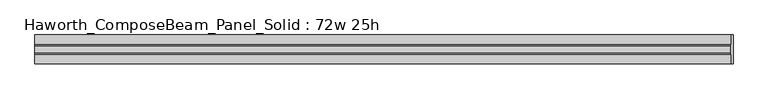
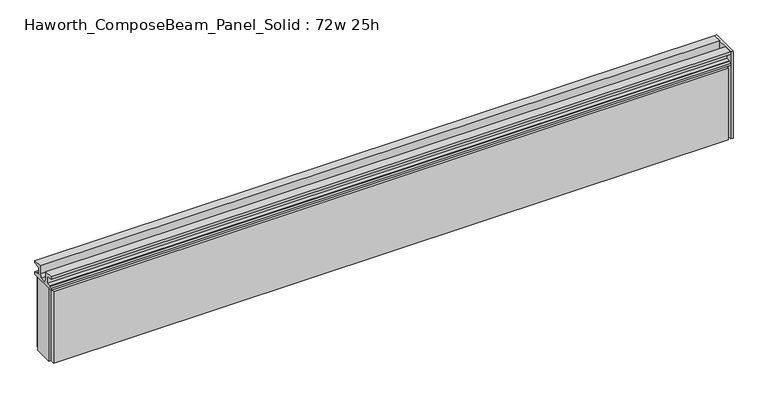
"""IFC4 building model written with IfcOpenShell, lengths in millimetres: furniture geometry, Haworth_ComposeBeam_Panel_Solid : 72w 25h."""

import ifcopenshell
import ifcopenshell.guid

model = None  # the IFC model being written
_history = None  # IfcOwnerHistory: only IFC2X3 demands one
_inside = {}  # id of a spatial element -> (the spatial element, [elements in it])
_under = {}  # id of a project, library or spatial element -> (it, [spatial elements below it])
_declared = {}  # id of a project -> (the project, [libraries it declares])
_typed = {}  # id of a type object -> (the type object, [elements of that type])
_made_of = {}  # id of a material, layer set ... -> (it, [elements and type objects made of it])


def new_model(schema):
    """Start an empty IFC model of exactly this schema.

    Asked for "IFC4X3", IfcOpenShell would pick the latest addendum, in which some entities
    have other attributes; the version numbers below select the first issue.
    IFC2X3 requires an IfcOwnerHistory on every rooted entity: one is made here for all.
    """
    global model, _history
    if schema == "IFC4X3":
        model = ifcopenshell.file(schema_version=(4, 3, 0, 0))
    else:
        model = ifcopenshell.file(schema=schema)
    _inside.clear()
    _under.clear()
    _declared.clear()
    _typed.clear()
    _made_of.clear()
    _history = None
    if model.schema == "IFC2X3":
        org = make("IfcOrganization", Name="unknown")
        user = make(
            "IfcPersonAndOrganization",
            ThePerson=make("IfcPerson", FamilyName="unknown"),
            TheOrganization=org,
        )
        app = make(
            "IfcApplication",
            ApplicationDeveloper=org,
            Version="unknown",
            ApplicationFullName="unknown",
            ApplicationIdentifier="unknown",
        )
        _history = make(
            "IfcOwnerHistory",
            OwningUser=user,
            OwningApplication=app,
            ChangeAction="ADDED",
            CreationDate=0,
        )
    return model


def make(cls, **values):
    """One entity of the class cls with the attributes given. An attribute that is None is left unset."""
    return model.create_entity(
        cls, **{name: value for name, value in values.items() if value is not None}
    )


def rooted(cls, **values):
    """An entity with a GlobalId (a new one), such as an element, a storey or a relation."""
    return make(cls, GlobalId=ifcopenshell.guid.new(), OwnerHistory=_history, **values)


def si_unit(unit_type, name, prefix=None):
    """IfcSIUnit, for example si_unit("LENGTHUNIT", "METRE", prefix="MILLI")."""
    return make("IfcSIUnit", UnitType=unit_type, Prefix=prefix, Name=name)


def assignment(units):
    """IfcUnitAssignment: the units of a project."""
    return None if units is None else make("IfcUnitAssignment", Units=units)


def point(xyz):
    """IfcCartesianPoint."""
    return None if xyz is None else make("IfcCartesianPoint", Coordinates=xyz)


def direction(xyz):
    """IfcDirection."""
    return None if xyz is None else make("IfcDirection", DirectionRatios=xyz)


def frame(location, z_axis=None, x_axis=None):
    """IfcAxis2Placement3D, a coordinate frame: its origin and axes. An axis left out is left unset."""
    return make(
        "IfcAxis2Placement3D",
        Location=point(location),
        Axis=direction(z_axis),
        RefDirection=direction(x_axis),
    )


def origin():
    """The frame at (0, 0, 0) with its axes left unset."""
    return frame((0.0, 0.0, 0.0))


def place(relative_to, where):
    """IfcLocalPlacement: puts the frame where relative to a parent placement (None: the world)."""
    return make(
        "IfcLocalPlacement", PlacementRelTo=relative_to, RelativePlacement=where
    )


def context(
    kind, dimensions, precision=None, world=None, true_north=None, identifier=None
):
    """IfcGeometricRepresentationContext, for example the 3D "Model" context."""
    return make(
        "IfcGeometricRepresentationContext",
        ContextIdentifier=identifier,
        ContextType=kind,
        CoordinateSpaceDimension=dimensions,
        Precision=precision,
        WorldCoordinateSystem=world,
        TrueNorth=true_north,
    )


def project(units=None, contexts=None):
    """IfcProject with its units and contexts."""
    return rooted(
        "IfcProject",
        Name="project",
        RepresentationContexts=contexts,
        UnitsInContext=assignment(units),
    )


def spatial(cls, under=None, at=None, **own):
    """A site, building, storey or space (cls), placed at a placement, below another one or the project."""
    s = rooted(cls, ObjectPlacement=at, **own)
    if under is not None:
        _under.setdefault(under.id(), (under, []))[1].append(s)
    return s


def polyline(points):
    """IfcPolyline through the points."""
    return make("IfcPolyline", Points=[point(p) for p in points])


def outline(outer, holes=None, kind="AREA"):
    """IfcArbitraryClosedProfileDef: a profile drawn as a closed curve; with holes, ...WithVoids."""
    if holes is None:
        return make("IfcArbitraryClosedProfileDef", ProfileType=kind, OuterCurve=outer)
    return make(
        "IfcArbitraryProfileDefWithVoids",
        ProfileType=kind,
        OuterCurve=outer,
        InnerCurves=holes,
    )


def extrude(swept, where, along, depth):
    """IfcExtrudedAreaSolid: the profile swept, set in the frame where, extruded along a direction by depth."""
    return make(
        "IfcExtrudedAreaSolid",
        SweptArea=swept,
        Position=where,
        ExtrudedDirection=direction(along),
        Depth=depth,
    )


def shape(context_of_items, identifier, shape_type, items):
    """IfcShapeRepresentation: the items that make up one representation, for example the "Body"."""
    return make(
        "IfcShapeRepresentation",
        ContextOfItems=context_of_items,
        RepresentationIdentifier=identifier,
        RepresentationType=shape_type,
        Items=items,
    )


def source(mapping_origin, context_of_items, identifier, shape_type, items):
    """IfcRepresentationMap: a shape defined once, which mapped items show again and again."""
    return make(
        "IfcRepresentationMap",
        MappingOrigin=mapping_origin,
        MappedRepresentation=shape(context_of_items, identifier, shape_type, items),
    )


def transform(
    local_origin,
    x_axis=None,
    y_axis=None,
    z_axis=None,
    scale=None,
    scale2=None,
    scale3=None,
    uniform=True,
):
    """IfcCartesianTransformationOperator3D, or its non-uniform kind. x_axis, y_axis, z_axis: its Axis1, 2, 3."""
    if uniform:
        return make(
            "IfcCartesianTransformationOperator3D",
            Axis1=direction(x_axis),
            Axis2=direction(y_axis),
            LocalOrigin=point(local_origin),
            Scale=scale,
            Axis3=direction(z_axis),
        )
    return make(
        "IfcCartesianTransformationOperator3DnonUniform",
        Axis1=direction(x_axis),
        Axis2=direction(y_axis),
        LocalOrigin=point(local_origin),
        Scale=scale,
        Axis3=direction(z_axis),
        Scale2=scale2,
        Scale3=scale3,
    )


def mapped(mapping_source, mapping_target):
    """IfcMappedItem: shows the shape of a source again, moved by a transform."""
    return make(
        "IfcMappedItem", MappingSource=mapping_source, MappingTarget=mapping_target
    )


def made_of(thing, what):
    """Note that an element or type object is made of a material, layer set ...; save() writes the relation."""
    if what is not None:
        _made_of.setdefault(what.id(), (what, []))[1].append(thing)
    return thing


def element(
    cls,
    number,
    at=None,
    inside=None,
    cuts=None,
    type_object=None,
    material=None,
    context=None,
    identifier="Body",
    shape_type=None,
    held_by="IfcProductDefinitionShape",
    body=None,
    shapes=None,
    **own,
):
    """One element of the class cls, such as IfcWall. Its Tag is "e" and its number.

    at: its placement. inside: the storey or other place that contains it. cuts: it is an
    opening in that element (IfcRelVoidsElement). A single representation is given by context,
    identifier, shape_type and body (its items); several are given by shapes. held_by: the class
    of the entity that holds the representations. save() writes the other relations.
    """
    e = rooted(cls, Tag="e%d" % number, ObjectPlacement=at, **own)
    if body is not None:
        shapes = [shape(context, identifier, shape_type, body)]
    if shapes is not None:
        e.Representation = make(held_by, Representations=shapes)
    if inside is not None:
        _inside.setdefault(inside.id(), (inside, []))[1].append(e)
    if cuts is not None:
        rooted(
            "IfcRelVoidsElement", RelatingBuildingElement=cuts, RelatedOpeningElement=e
        )
    if type_object is not None:
        _typed.setdefault(type_object.id(), (type_object, []))[1].append(e)
    return made_of(e, material)


def aggregate(whole, parts):
    """IfcRelAggregates: a whole, such as a stair, and the parts it consists of."""
    return rooted("IfcRelAggregates", RelatingObject=whole, RelatedObjects=parts)


def save(model, path):
    """Write the relations noted so far, then the file.

    IfcRelAggregates (storeys below a building ...), IfcRelContainedInSpatialStructure (elements
    in a storey), IfcRelDefinesByType, IfcRelAssociatesMaterial and IfcRelDeclares: one each for
    every whole, place, type object, material and project.
    """
    for whole, parts in _under.values():
        aggregate(whole, parts)
    for where, things in _inside.values():
        rooted(
            "IfcRelContainedInSpatialStructure",
            RelatedElements=things,
            RelatingStructure=where,
        )
    for kind, things in _typed.values():
        rooted("IfcRelDefinesByType", RelatedObjects=things, RelatingType=kind)
    for what, things in _made_of.values():
        rooted("IfcRelAssociatesMaterial", RelatedObjects=things, RelatingMaterial=what)
    for by, libraries in _declared.values():
        rooted("IfcRelDeclares", RelatingContext=by, RelatedDefinitions=libraries)
    model.write(path)


def haworth_composebeam_panel_solid_72w_25h_174e23e5(model_context):
    return source(origin(), model_context, "Body", "SweptSolid", [
        extrude(outline(polyline([(-38.1, 673.1), (-38.1, 679.45), (-13.5001003, 679.45), (-13.5001003, 657.6828071), (-8.7648475, 647.7), (8.7648498, 647.7), (13.5001026, 657.6828071), (13.5001026, 679.45), (38.1000023, 679.45), (38.1000023, 673.1), (30.6197023, 673.1), (30.6197023, 670.8139719), (19.6977019, 670.8139719), (19.6977019, 649.9860281), (30.6197023, 649.9860281), (30.6197023, 647.7), (38.1000011, 647.7), (38.1000011, 641.35), (-38.0999989, 641.35), (-38.0999989, 647.7), (-30.6197, 647.7), (-30.6197, 649.9860281), (-19.6976996, 649.9860281), (-19.6976996, 670.8139719), (-30.6197, 670.8139719), (-30.6197, 673.1), (-38.1, 673.1)])), frame((-911.9597098, 0.0, 0.0), z_axis=(1.0, 0.0, 0.0), x_axis=(0.0, 1.0, 0.0)), (0.0, 0.0, 1.0), 1828.8),
        extrude(outline(polyline([(923.1902902, 38.1), (923.1902902, -38.1), (916.8402902, -38.1), (916.8402902, 38.1), (923.1902902, 38.1)])), frame((0.0, 0.0, 431.8), z_axis=(0.0, 0.0, 1.0), x_axis=(1.0, 0.0, 0.0)), (0.0, 0.0, 1.0), 247.65),
        extrude(outline(polyline([(916.8402902, -25.4), (-911.9597098, -25.4), (-911.9597098, 25.4), (916.8402902, 25.4), (916.8402902, -25.4)])), frame((0.0, 0.0, 431.8), z_axis=(0.0, 0.0, 1.0), x_axis=(1.0, 0.0, 0.0)), (0.0, 0.0, 1.0), 209.55),
        extrude(outline(polyline([(-905.6097098, -25.4), (910.4902902, -25.4), (910.4902902, -38.1), (-905.6097098, -38.1), (-905.6097098, -25.4)])), frame((0.0, 0.0, 431.8), z_axis=(0.0, 0.0, 1.0), x_axis=(1.0, 0.0, 0.0)), (0.0, 0.0, 1.0), 203.2),
        extrude(outline(polyline([(-905.6097098, 38.1), (910.4902902, 38.1), (910.4902902, 25.4), (-905.6097098, 25.4), (-905.6097098, 38.1)])), frame((0.0, 0.0, 431.8), z_axis=(0.0, 0.0, 1.0), x_axis=(1.0, 0.0, 0.0)), (0.0, 0.0, 1.0), 203.2),
    ])


if __name__ == "__main__":
    model = new_model("IFC4")
    model_context = context("Model", 3, world=origin())
    ifc_project = project(units=[si_unit("LENGTHUNIT", "METRE", prefix="MILLI")], contexts=[model_context])
    site = spatial("IfcSite", under=ifc_project)
    building = spatial("IfcBuilding", under=site)
    placement = place(None, origin())
    haworth_composebeam_panel_solid_72w_25h_shape = haworth_composebeam_panel_solid_72w_25h_174e23e5(model_context)
    element("IfcFurniture", 1, ObjectType="Haworth_ComposeBeam_Panel_Solid : 72w 25h", at=placement, inside=building, context=model_context, shape_type="MappedRepresentation", body=[
        mapped(haworth_composebeam_panel_solid_72w_25h_shape, transform((0.0, 0.0, 0.0), x_axis=(1.0, 0.0, 0.0), y_axis=(0.0, 1.0, 0.0), z_axis=(0.0, 0.0, 1.0))),
    ])
    save(model, "model.ifc")
